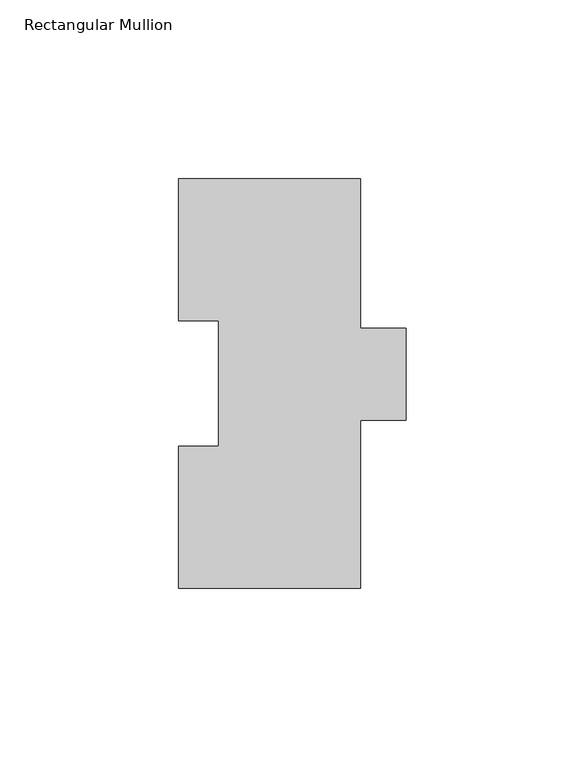
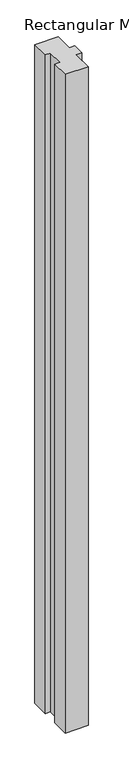
"""IFC4 building model written with IfcOpenShell, lengths in millimetres: member geometry, Rectangular Mullion."""

from ifc_helpers import new_model, si_unit, frame, origin, place, context, project, spatial, polyline, outline, extrude, source, transform, mapped, element, save


def rectangular_mullion_5b2293bf(model_context):
    return source(origin(), model_context, "Body", "SweptSolid", [
        extrude(outline(polyline([(-25.4, 114.271425), (25.4, 114.271425), (25.4, 72.564625), (38.1, 72.564625), (38.1, 46.802675), (25.4, 46.802675), (25.4, -0.028575), (-25.4, -0.028575), (-25.4, 39.646225), (-14.2748, 39.646225), (-14.2748, 74.596625), (-25.4, 74.596625), (-25.4, 114.271425)])), frame((0.0, 0.0, -1524.0), z_axis=(0.0, 0.0, 1.0), x_axis=(1.0, 0.0, 0.0)), (0.0, 0.0, 1.0), 1524.0),
    ])


if __name__ == "__main__":
    model = new_model("IFC4")
    model_context = context("Model", 3, world=origin())
    ifc_project = project(units=[si_unit("LENGTHUNIT", "METRE", prefix="MILLI")], contexts=[model_context])
    site = spatial("IfcSite", under=ifc_project)
    building = spatial("IfcBuilding", under=site)
    placement = place(None, origin())
    rectangular_mullion_shape = rectangular_mullion_5b2293bf(model_context)
    element("IfcMember", 1, ObjectType="Rectangular Mullion", at=placement, inside=building, context=model_context, shape_type="MappedRepresentation", body=[
        mapped(rectangular_mullion_shape, transform((0.0, 0.0, 0.0), x_axis=(1.0, 0.0, 0.0), y_axis=(0.0, 1.0, 0.0), z_axis=(0.0, 0.0, 1.0))),
    ])
    save(model, "model.ifc")
